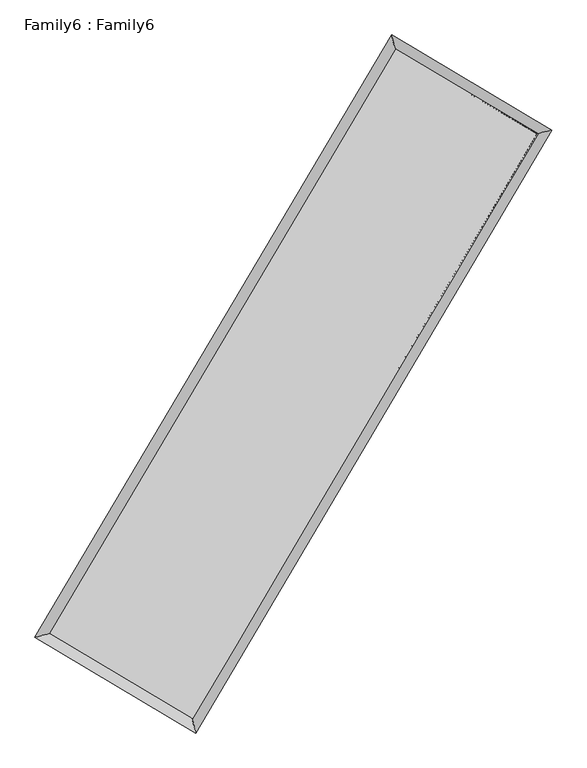
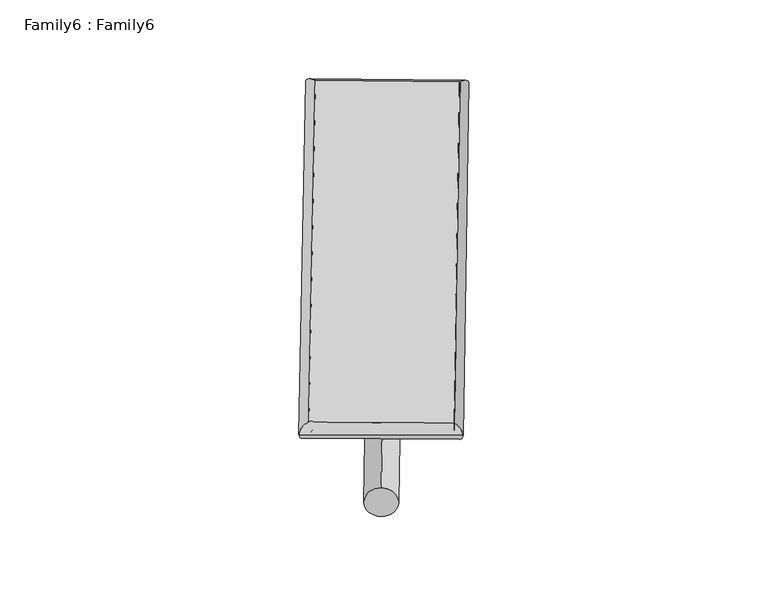
"""IFC4 building model written with IfcOpenShell, lengths in millimetres: plate geometry, Family6 : Family6."""

import ifcopenshell
import ifcopenshell.guid

model = None  # the IFC model being written
_history = None  # IfcOwnerHistory: only IFC2X3 demands one
_inside = {}  # id of a spatial element -> (the spatial element, [elements in it])
_under = {}  # id of a project, library or spatial element -> (it, [spatial elements below it])
_declared = {}  # id of a project -> (the project, [libraries it declares])
_typed = {}  # id of a type object -> (the type object, [elements of that type])
_made_of = {}  # id of a material, layer set ... -> (it, [elements and type objects made of it])


def new_model(schema):
    """Start an empty IFC model of exactly this schema.

    Asked for "IFC4X3", IfcOpenShell would pick the latest addendum, in which some entities
    have other attributes; the version numbers below select the first issue.
    IFC2X3 requires an IfcOwnerHistory on every rooted entity: one is made here for all.
    """
    global model, _history
    if schema == "IFC4X3":
        model = ifcopenshell.file(schema_version=(4, 3, 0, 0))
    else:
        model = ifcopenshell.file(schema=schema)
    _inside.clear()
    _under.clear()
    _declared.clear()
    _typed.clear()
    _made_of.clear()
    _history = None
    if model.schema == "IFC2X3":
        org = make("IfcOrganization", Name="unknown")
        user = make(
            "IfcPersonAndOrganization",
            ThePerson=make("IfcPerson", FamilyName="unknown"),
            TheOrganization=org,
        )
        app = make(
            "IfcApplication",
            ApplicationDeveloper=org,
            Version="unknown",
            ApplicationFullName="unknown",
            ApplicationIdentifier="unknown",
        )
        _history = make(
            "IfcOwnerHistory",
            OwningUser=user,
            OwningApplication=app,
            ChangeAction="ADDED",
            CreationDate=0,
        )
    return model


def make(cls, **values):
    """One entity of the class cls with the attributes given. An attribute that is None is left unset."""
    return model.create_entity(
        cls, **{name: value for name, value in values.items() if value is not None}
    )


def rooted(cls, **values):
    """An entity with a GlobalId (a new one), such as an element, a storey or a relation."""
    return make(cls, GlobalId=ifcopenshell.guid.new(), OwnerHistory=_history, **values)


def si_unit(unit_type, name, prefix=None):
    """IfcSIUnit, for example si_unit("LENGTHUNIT", "METRE", prefix="MILLI")."""
    return make("IfcSIUnit", UnitType=unit_type, Prefix=prefix, Name=name)


def assignment(units):
    """IfcUnitAssignment: the units of a project."""
    return None if units is None else make("IfcUnitAssignment", Units=units)


def point(xyz):
    """IfcCartesianPoint."""
    return None if xyz is None else make("IfcCartesianPoint", Coordinates=xyz)


def direction(xyz):
    """IfcDirection."""
    return None if xyz is None else make("IfcDirection", DirectionRatios=xyz)


def frame(location, z_axis=None, x_axis=None):
    """IfcAxis2Placement3D, a coordinate frame: its origin and axes. An axis left out is left unset."""
    return make(
        "IfcAxis2Placement3D",
        Location=point(location),
        Axis=direction(z_axis),
        RefDirection=direction(x_axis),
    )


def frame_2d(location, x_axis=None):
    """IfcAxis2Placement2D, a coordinate frame in the plane: its origin and x axis."""
    return make(
        "IfcAxis2Placement2D", Location=point(location), RefDirection=direction(x_axis)
    )


def origin():
    """The frame at (0, 0, 0) with its axes left unset."""
    return frame((0.0, 0.0, 0.0))


def origin_2d():
    """The frame at (0, 0) in the plane with its x axis left unset."""
    return frame_2d((0.0, 0.0))


def place(relative_to, where):
    """IfcLocalPlacement: puts the frame where relative to a parent placement (None: the world)."""
    return make(
        "IfcLocalPlacement", PlacementRelTo=relative_to, RelativePlacement=where
    )


def context(
    kind, dimensions, precision=None, world=None, true_north=None, identifier=None
):
    """IfcGeometricRepresentationContext, for example the 3D "Model" context."""
    return make(
        "IfcGeometricRepresentationContext",
        ContextIdentifier=identifier,
        ContextType=kind,
        CoordinateSpaceDimension=dimensions,
        Precision=precision,
        WorldCoordinateSystem=world,
        TrueNorth=true_north,
    )


def project(units=None, contexts=None):
    """IfcProject with its units and contexts."""
    return rooted(
        "IfcProject",
        Name="project",
        RepresentationContexts=contexts,
        UnitsInContext=assignment(units),
    )


def spatial(cls, under=None, at=None, **own):
    """A site, building, storey or space (cls), placed at a placement, below another one or the project."""
    s = rooted(cls, ObjectPlacement=at, **own)
    if under is not None:
        _under.setdefault(under.id(), (under, []))[1].append(s)
    return s


def circle_curve(where, radius):
    """IfcCircle in the frame where."""
    return make("IfcCircle", Position=where, Radius=radius)


def ellipse_curve(where, semi_axis1, semi_axis2):
    """IfcEllipse in the frame where."""
    return make(
        "IfcEllipse", Position=where, SemiAxis1=semi_axis1, SemiAxis2=semi_axis2
    )


def trimmed(basis, trim1, trim2, sense, master):
    """IfcTrimmedCurve: the piece of a basis curve between two trims."""
    return make(
        "IfcTrimmedCurve",
        BasisCurve=basis,
        Trim1=trim1,
        Trim2=trim2,
        SenseAgreement=sense,
        MasterRepresentation=master,
    )


def segment(curve, same_sense, transition):
    """IfcCompositeCurveSegment."""
    return make(
        "IfcCompositeCurveSegment",
        Transition=transition,
        SameSense=same_sense,
        ParentCurve=curve,
    )


def composite_curve(segments, self_intersect=None):
    """IfcCompositeCurve: segments joined end to end."""
    return make("IfcCompositeCurve", Segments=segments, SelfIntersect=self_intersect)


def outline(outer, holes=None, kind="AREA"):
    """IfcArbitraryClosedProfileDef: a profile drawn as a closed curve; with holes, ...WithVoids."""
    if holes is None:
        return make("IfcArbitraryClosedProfileDef", ProfileType=kind, OuterCurve=outer)
    return make(
        "IfcArbitraryProfileDefWithVoids",
        ProfileType=kind,
        OuterCurve=outer,
        InnerCurves=holes,
    )


def extrude(swept, where, along, depth):
    """IfcExtrudedAreaSolid: the profile swept, set in the frame where, extruded along a direction by depth."""
    return make(
        "IfcExtrudedAreaSolid",
        SweptArea=swept,
        Position=where,
        ExtrudedDirection=direction(along),
        Depth=depth,
    )


def shape(context_of_items, identifier, shape_type, items):
    """IfcShapeRepresentation: the items that make up one representation, for example the "Body"."""
    return make(
        "IfcShapeRepresentation",
        ContextOfItems=context_of_items,
        RepresentationIdentifier=identifier,
        RepresentationType=shape_type,
        Items=items,
    )


def source(mapping_origin, context_of_items, identifier, shape_type, items):
    """IfcRepresentationMap: a shape defined once, which mapped items show again and again."""
    return make(
        "IfcRepresentationMap",
        MappingOrigin=mapping_origin,
        MappedRepresentation=shape(context_of_items, identifier, shape_type, items),
    )


def transform(
    local_origin,
    x_axis=None,
    y_axis=None,
    z_axis=None,
    scale=None,
    scale2=None,
    scale3=None,
    uniform=True,
):
    """IfcCartesianTransformationOperator3D, or its non-uniform kind. x_axis, y_axis, z_axis: its Axis1, 2, 3."""
    if uniform:
        return make(
            "IfcCartesianTransformationOperator3D",
            Axis1=direction(x_axis),
            Axis2=direction(y_axis),
            LocalOrigin=point(local_origin),
            Scale=scale,
            Axis3=direction(z_axis),
        )
    return make(
        "IfcCartesianTransformationOperator3DnonUniform",
        Axis1=direction(x_axis),
        Axis2=direction(y_axis),
        LocalOrigin=point(local_origin),
        Scale=scale,
        Axis3=direction(z_axis),
        Scale2=scale2,
        Scale3=scale3,
    )


def mapped(mapping_source, mapping_target):
    """IfcMappedItem: shows the shape of a source again, moved by a transform."""
    return make(
        "IfcMappedItem", MappingSource=mapping_source, MappingTarget=mapping_target
    )


def made_of(thing, what):
    """Note that an element or type object is made of a material, layer set ...; save() writes the relation."""
    if what is not None:
        _made_of.setdefault(what.id(), (what, []))[1].append(thing)
    return thing


def element(
    cls,
    number,
    at=None,
    inside=None,
    cuts=None,
    type_object=None,
    material=None,
    context=None,
    identifier="Body",
    shape_type=None,
    held_by="IfcProductDefinitionShape",
    body=None,
    shapes=None,
    **own,
):
    """One element of the class cls, such as IfcWall. Its Tag is "e" and its number.

    at: its placement. inside: the storey or other place that contains it. cuts: it is an
    opening in that element (IfcRelVoidsElement). A single representation is given by context,
    identifier, shape_type and body (its items); several are given by shapes. held_by: the class
    of the entity that holds the representations. save() writes the other relations.
    """
    e = rooted(cls, Tag="e%d" % number, ObjectPlacement=at, **own)
    if body is not None:
        shapes = [shape(context, identifier, shape_type, body)]
    if shapes is not None:
        e.Representation = make(held_by, Representations=shapes)
    if inside is not None:
        _inside.setdefault(inside.id(), (inside, []))[1].append(e)
    if cuts is not None:
        rooted(
            "IfcRelVoidsElement", RelatingBuildingElement=cuts, RelatedOpeningElement=e
        )
    if type_object is not None:
        _typed.setdefault(type_object.id(), (type_object, []))[1].append(e)
    return made_of(e, material)


def aggregate(whole, parts):
    """IfcRelAggregates: a whole, such as a stair, and the parts it consists of."""
    return rooted("IfcRelAggregates", RelatingObject=whole, RelatedObjects=parts)


def save(model, path):
    """Write the relations noted so far, then the file.

    IfcRelAggregates (storeys below a building ...), IfcRelContainedInSpatialStructure (elements
    in a storey), IfcRelDefinesByType, IfcRelAssociatesMaterial and IfcRelDeclares: one each for
    every whole, place, type object, material and project.
    """
    for whole, parts in _under.values():
        aggregate(whole, parts)
    for where, things in _inside.values():
        rooted(
            "IfcRelContainedInSpatialStructure",
            RelatedElements=things,
            RelatingStructure=where,
        )
    for kind, things in _typed.values():
        rooted("IfcRelDefinesByType", RelatedObjects=things, RelatingType=kind)
    for what, things in _made_of.values():
        rooted("IfcRelAssociatesMaterial", RelatedObjects=things, RelatingMaterial=what)
    for by, libraries in _declared.values():
        rooted("IfcRelDeclares", RelatingContext=by, RelatedDefinitions=libraries)
    model.write(path)


def plane_surface(at):
    """IfcPlane: the flat surface through the origin of the frame at, square to its z axis."""
    return make("IfcPlane", Position=at)


def cylinder_surface(at, radius):
    """IfcCylindricalSurface: all points at the distance radius from the z axis of the frame at."""
    return make("IfcCylindricalSurface", Position=at, Radius=radius)


def spline_surface(u_degree, v_degree, points, u_multiplicities, v_multiplicities, u_knots, v_knots, weights=None):
    """IfcBSplineSurfaceWithKnots; with weights, IfcRationalBSplineSurfaceWithKnots. points: one row for each step in u."""
    own = dict(
        UDegree=u_degree,
        VDegree=v_degree,
        ControlPointsList=[[point(p) for p in row] for row in points],
        SurfaceForm="UNSPECIFIED",
        UClosed=False,
        VClosed=False,
        SelfIntersect=False,
        UMultiplicities=u_multiplicities,
        VMultiplicities=v_multiplicities,
        UKnots=u_knots,
        VKnots=v_knots,
        KnotSpec="UNSPECIFIED",
    )
    if weights is None:
        return make("IfcBSplineSurfaceWithKnots", **own)
    return make("IfcRationalBSplineSurfaceWithKnots", WeightsData=weights, **own)


def advanced_brep(points, edges, surfaces, faces):
    """IfcAdvancedBrep: a solid bounded by faces that lie on surfaces and meet in shared edges.

    An edge is (start, end): straight between two places in points (the first is 0);
    or (start, end, curve); or (start, end, curve, False) where it runs against its curve.
    A face is (place in surfaces, loops), or (place, loops, False) where it looks against
    its surface's normal. A loop lists edges by number (the first is 1), with a minus sign
    where the edge is run from its end to its start. The first loop is the outer one.
    """
    corners = [point(p) for p in points]
    vertices = [make("IfcVertexPoint", VertexGeometry=c) for c in corners]
    made = []
    for start, end, *more in edges:
        made.append(
            make(
                "IfcEdgeCurve",
                EdgeStart=vertices[start],
                EdgeEnd=vertices[end],
                EdgeGeometry=more[0] if more else make("IfcPolyline", Points=[corners[start], corners[end]]),
                SameSense=more[1] if len(more) > 1 else True,
            )
        )
    hull = []
    for where, loops, *sense in faces:
        bounds = []
        for j, loop in enumerate(loops):
            ring = [make("IfcOrientedEdge", EdgeElement=made[abs(k) - 1], Orientation=k > 0) for k in loop]
            bounds.append(
                make(
                    "IfcFaceOuterBound" if j == 0 else "IfcFaceBound",
                    Bound=make("IfcEdgeLoop", EdgeList=ring),
                    Orientation=True,
                )
            )
        hull.append(make("IfcAdvancedFace", Bounds=bounds, FaceSurface=surfaces[where], SameSense=sense[0] if sense else True))
    return make("IfcAdvancedBrep", Outer=make("IfcClosedShell", CfsFaces=hull))


def family6_family6_c5abd437(model_context):
    return source(origin(), model_context, "Body", "SolidModel", [
        extrude(outline(composite_curve([segment(trimmed(circle_curve(origin_2d(), 76.2), [point((-75.4341514, -10.7763073))], [point((75.4341514, 10.7763073))], False, "CARTESIAN"), True, "CONTINUOUS"), segment(trimmed(circle_curve(origin_2d(), 76.2), [point((75.4341514, 10.7763073))], [point((-75.4341514, -10.7763073))], False, "CARTESIAN"), True, "CONTINUOUS")], self_intersect=False)), frame((9144.0, 9144.0, 0.0), z_axis=(0.6723756549176159, 0.688107289533526, 0.27279907764677613), x_axis=(-0.6800632215727845, 0.71977939004337, -0.13939743302098578)), (0.0, 0.0, 1.0), 5565.0793945),
        extrude(outline(composite_curve([segment(trimmed(circle_curve(origin_2d(), 76.2), [point((-53.8815367, 53.8815368))], [point((53.8815367, -53.8815368))], False, "CARTESIAN"), True, "CONTINUOUS"), segment(trimmed(circle_curve(origin_2d(), 76.2), [point((53.8815367, -53.8815368))], [point((-53.8815367, 53.8815368))], False, "CARTESIAN"), True, "CONTINUOUS")], self_intersect=False)), frame((9144.0, 9144.0, 0.0), z_axis=(-0.6734121824313839, -0.6871010718714037, 0.2727785724469004), x_axis=(0.6411417057645886, -0.3591190314062012, 0.6782114968143385)), (0.0, 0.0, 1.0), 5565.7073405),
        extrude(outline(composite_curve([segment(trimmed(circle_curve(origin_2d(), 76.2), [point((-53.8815368, -53.8815367))], [point((53.8815368, 53.8815367))], False, "CARTESIAN"), True, "CONTINUOUS"), segment(trimmed(circle_curve(origin_2d(), 76.2), [point((53.8815368, 53.8815367))], [point((-53.8815368, -53.8815367))], False, "CARTESIAN"), True, "CONTINUOUS")], self_intersect=False)), frame((9144.0, 9144.0, 0.0), z_axis=(0.27878796936715744, 0.9204569004106431, 0.2739276594697372), x_axis=(-0.8390943770810189, 0.3722070449372583, -0.396714685952122)), (0.0, 0.0, 1.0), 5572.8963434),
        extrude(outline(composite_curve([segment(trimmed(circle_curve(origin_2d(), 76.2), [point((-75.4341514, 10.7763074))], [point((75.4341514, -10.7763074))], False, "CARTESIAN"), True, "CONTINUOUS"), segment(trimmed(circle_curve(origin_2d(), 76.2), [point((75.4341514, -10.7763074))], [point((-75.4341514, 10.7763074))], False, "CARTESIAN"), True, "CONTINUOUS")], self_intersect=False)), frame((9144.0, 9144.0, 0.0), z_axis=(-0.27750801411993725, -0.9208899832396575, 0.27377169478978647), x_axis=(0.8775612169104949, -0.1270022739506139, 0.46233833172898875)), (0.0, 0.0, 1.0), 5576.2833056),
        advanced_brep(
        [(5187.4130727, 5266.6610775, 1518.8786796), (5604.5590857, 5372.9353256, 1519.0501711), (5604.5566735, 5372.9319638, 1517.5327264), (10751.0228524, 14064.6251657, 1525.6525988), (10644.2900578, 14482.5966235, 1527.4883048), (5187.4106605, 5266.6577157, 1517.3612349), (12677.363693, 12919.9669406, 1518.2384039), (13094.284112, 13026.7764557, 1518.0586478), (7543.0525498, 4218.1120121, 1526.4699452), (7650.0208376, 3799.6011084, 1526.7871172)],
        [
            (0, 1, ellipse_curve(frame((5395.9848731, 5319.7965207, 1518.205703), z_axis=(-0.2468781182290524, 0.9690449508469567, -0.0017544166269999695), x_axis=(-0.9690411194775794, -0.24688238787974753, -0.0028974672446125407)), 215.2386963, 152.4)),
            (1, 2, ellipse_curve(frame((5395.9848731, 5319.7965207, 1518.205703), z_axis=(-0.2468781182290524, 0.9690449508469567, -0.0017544166269999695), x_axis=(-0.9690411194775794, -0.24688238787974753, -0.0028974672446125407)), 215.2386963, 152.4)),
            (2, 3),
            (3, 4, ellipse_curve(frame((10697.6564551, 14273.6108946, 1526.5704518), z_axis=(-0.968905054537078, -0.24742646007964783, 0.0017726096457985618), x_axis=(0.24742081350022238, -0.9689037606297017, -0.0029058018703583426)), 215.6940766, 152.4)),
            (4, 0),
            (2, 5, ellipse_curve(frame((5395.9848731, 5319.7965207, 1518.205703), z_axis=(-0.2468781182290524, 0.9690449508469567, -0.0017544166269999695), x_axis=(-0.9690411194775794, -0.24688238787974753, -0.0028974672446125407)), 215.2386963, 152.4)),
            (5, 0, ellipse_curve(frame((5395.9848731, 5319.7965207, 1518.205703), z_axis=(-0.2468781182290524, 0.9690449508469567, -0.0017544166269999695), x_axis=(-0.9690411194775794, -0.24688238787974753, -0.0028974672446125407)), 215.2386963, 152.4)),
            (4, 3, ellipse_curve(frame((10697.6564551, 14273.6108946, 1526.5704518), z_axis=(-0.968905054537078, -0.24742646007964783, 0.0017726096457985618), x_axis=(0.24742081350022238, -0.9689037606297017, -0.0029058018703583426)), 215.6940766, 152.4)),
            (3, 6),
            (6, 7, ellipse_curve(frame((12885.8239025, 12973.3716982, 1518.1485258), z_axis=(-0.24817115125355357, 0.9687146014974415, 0.0017608325130209004), x_axis=(-0.9687106965512919, -0.24817545902016655, 0.0029202615020557147)), 215.1929911, 152.4)),
            (7, 4),
            (7, 6, ellipse_curve(frame((12885.8239025, 12973.3716982, 1518.1485258), z_axis=(-0.24817115125355357, 0.9687146014974415, 0.0017608325130209004), x_axis=(-0.9687106965512919, -0.24817545902016655, 0.0029202615020557147)), 215.1929911, 152.4)),
            (6, 8),
            (8, 9, ellipse_curve(frame((7596.5366937, 4008.8565602, 1526.6285312), z_axis=(0.9688523697428154, 0.24763281961411943, 0.0017527959640949874), x_axis=(-0.24762724562500033, 0.9688510542460249, -0.00289515293925001)), 215.9829683, 152.4)),
            (9, 7),
            (9, 8, ellipse_curve(frame((7596.5366937, 4008.8565602, 1526.6285312), z_axis=(0.9688523697428154, 0.24763281961411943, 0.0017527959640949874), x_axis=(-0.24762724562500033, 0.9688510542460249, -0.00289515293925001)), 215.9829683, 152.4)),
            (8, 1),
            (5, 9),
        ],
        [
            cylinder_surface(frame((5395.9848731, 5319.7965207, 1518.205703), z_axis=(-0.5094968916202549, -0.8604721211258478, -0.0008038622286224112), x_axis=(-0.8604628237599536, 0.5094865122415603, 0.005217544535263022)), 152.4),
            cylinder_surface(frame((10697.6564551, 14273.6108946, 1526.5704518), z_axis=(-0.8596749707755297, 0.5108306928281034, 0.0033087591105963837), x_axis=(0.5108393200181204, 0.8596719442875823, 0.0027087503082304926)), 152.4),
            cylinder_surface(frame((12885.8239025, 12973.3716982, 1518.1485258), z_axis=(0.5081646054389212, 0.8612595834158695, -0.0008147106411343524), x_axis=(0.8612599400310534, -0.5081646054389211, 0.00022243383737969487)), 152.4),
            cylinder_surface(frame((7596.5366937, 4008.8565602, 1526.6285312), z_axis=(0.8591015479331441, -0.5117946047500765, 0.003288295544591214), x_axis=(-0.5117896737661024, -0.8591078016917463, -0.002261614193802488)), 152.4),
        ],
        [
            (0, [[1, 2, 3, 4, 5]]),
            (0, [[6, 7, -5, 8, -3]]),
            (1, [[-4, 9, 10, 11]]),
            (1, [[-8, -11, 12, -9]]),
            (2, [[-10, 13, 14, 15]]),
            (2, [[-12, -15, 16, -13]]),
            (3, [[-14, 17, -1, -7, 18]]),
            (3, [[-16, -18, -6, -2, -17]]),
        ],
    ),
        extrude(outline(composite_curve([segment(trimmed(circle_curve(origin_2d(), 304.8), [point((0.0, -304.8))], [point((0.0, 304.8))], False, "CARTESIAN"), True, "CONTINUOUS"), segment(trimmed(circle_curve(origin_2d(), 304.8), [point((0.0, 304.8))], [point((0.0, -304.8))], False, "CARTESIAN"), True, "CONTINUOUS")], self_intersect=False)), frame((6489.594683, 4643.3962373, -0.0001664), z_axis=(0.5080138592609582, 0.8613488949309605, 3.185086158068203e-08), x_axis=(-0.8613488949309608, 0.5080138592609582, 8.692985585052834e-09)), (0.0, 0.0, 1.0), 10450.1295332),
        advanced_brep(
        [(5395.9848731, 5319.7965207, 1518.205703), (7596.5366937, 4008.8565602, 1526.6285312), (7596.5357458, 4008.8581205, 1679.0285312), (5395.9839252, 5319.7980809, 1670.605703), (12885.8239025, 12973.3716982, 1518.1485258), (12885.8229547, 12973.3732584, 1670.5485258), (10697.6564551, 14273.6108946, 1526.5704518), (10697.6555072, 14273.6124548, 1678.9704518)],
        [
            (0, 1),
            (1, 2),
            (2, 3),
            (3, 0),
            (1, 4),
            (4, 5),
            (5, 2),
            (4, 6),
            (6, 7),
            (7, 5),
            (6, 0),
            (3, 7),
        ],
        [
            plane_surface(frame((6496.2607834, 4664.3265404, 1522.4171171), z_axis=(-0.5117973876078936, -0.8591061831963722, 5.612252930244999e-06), x_axis=(0.8591015479331441, -0.5117946047500769, 0.0032882955445912134))),
            plane_surface(frame((10241.1802981, 8491.1141292, 1522.3885285), z_axis=(0.8612598735715818, -0.5081647666495253, 1.0559191071407386e-05), x_axis=(0.5081646054389211, 0.8612595834158695, -0.0008147106411343539))),
            plane_surface(frame((11791.7401788, 13623.4912964, 1522.3594888), z_axis=(0.5108334731035543, 0.8596796861188066, -5.6241195161620215e-06), x_axis=(-0.8596749707755295, 0.510830692828104, 0.0033087591105963837))),
            plane_surface(frame((8046.8206641, 9796.7037076, 1522.3880774), z_axis=(-0.8604723947658399, 0.5094970635187794, -1.0567933172674559e-05), x_axis=(-0.5094968916202551, -0.8604721211258476, -0.0008038622286224104))),
            spline_surface(1, 1, [[(7596.5357458, 4008.8581205, 1679.0285312), (5395.9839252, 5319.7980809, 1670.605703)], [(12885.8229547, 12973.3732584, 1670.5485258), (10697.6555072, 14273.6124548, 1678.9704518)]], [2, 2], [2, 2], [0.0, 1.0], [0.0, 1.0]),
            spline_surface(1, 1, [[(10697.6564551, 14273.6108946, 1526.5704518), (5395.9848731, 5319.7965207, 1518.205703)], [(12885.8239025, 12973.3716982, 1518.1485258), (7596.5366937, 4008.8565602, 1526.6285312)]], [2, 2], [2, 2], [0.0, 1.0], [0.0, 1.0]),
        ],
        [
            (0, [[1, 2, 3, 4]]),
            (1, [[5, 6, 7, -2]]),
            (2, [[8, 9, 10, -6]]),
            (3, [[11, -4, 12, -9]]),
            (4, [[-3, -7, -10, -12]]),
            (5, [[-11, -8, -5, -1]]),
        ],
    ),
    ])


if __name__ == "__main__":
    model = new_model("IFC4")
    model_context = context("Model", 3, world=origin())
    ifc_project = project(units=[si_unit("LENGTHUNIT", "METRE", prefix="MILLI")], contexts=[model_context])
    site = spatial("IfcSite", under=ifc_project)
    building = spatial("IfcBuilding", under=site)
    placement = place(None, origin())
    family6_family6_shape = family6_family6_c5abd437(model_context)
    element("IfcPlate", 1, ObjectType="Family6 : Family6", at=placement, inside=building, context=model_context, shape_type="MappedRepresentation", body=[
        mapped(family6_family6_shape, transform((0.0, 0.0, 0.0), x_axis=(1.0, 0.0, 0.0), y_axis=(0.0, 1.0, 0.0), z_axis=(0.0, 0.0, 1.0))),
    ])
    save(model, "model.ifc")
